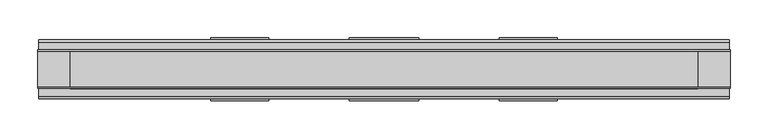
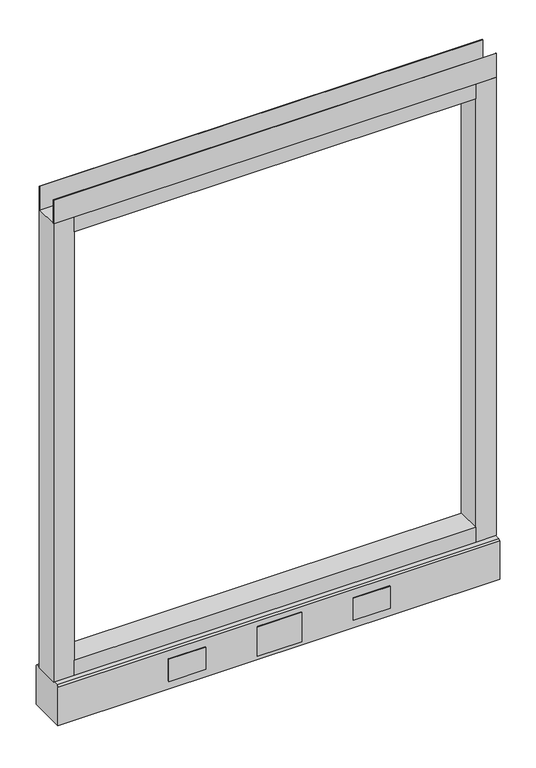
"""IFC4 building model written with IfcOpenShell, lengths in millimetres: furniture geometry."""

from ifc_helpers import new_model, si_unit, point, frame, frame_2d, origin, place, context, project, spatial, polyline, circle_curve, trimmed, segment, composite_curve, outline, extrude, source, transform, mapped, element, save
from ifc_brep_helpers import plane_surface, revolved_surface, advanced_brep


def furniture_6221587f(model_context):
    return source(origin(), model_context, "Body", "SolidModel", [
        advanced_brep(
        [(387.35, 0.0, 6.35), (412.75, 0.0, 6.35), (381.0, 0.0, 0.0), (419.1, 0.0, 0.0)],
        [
            (0, 1, circle_curve(frame((400.05, 0.0, 6.35), z_axis=(0.0, 0.0, 1.0), x_axis=(-1.0, 0.0, 0.0)), 12.7)),
            (1, 0, circle_curve(frame((400.05, 0.0, 6.35), z_axis=(0.0, 0.0, 1.0), x_axis=(1.0, 0.0, 0.0)), 12.7)),
            (2, 3, circle_curve(frame((400.05, 0.0, 0.0), z_axis=(0.0, 0.0, -1.0), x_axis=(1.0, 0.0, 0.0)), 19.05)),
            (3, 2, circle_curve(frame((400.05, 0.0, 0.0), z_axis=(0.0, 0.0, -1.0), x_axis=(-1.0, 0.0, 0.0)), 19.05)),
            (3, 1),
            (0, 2),
        ],
        [
            plane_surface(frame((400.05, 0.0, 6.35), z_axis=(0.0, 0.0, 1.0), x_axis=(0.0, -1.0, 0.0))),
            plane_surface(frame((400.05, 0.0, 0.0), z_axis=(0.0, 0.0, -1.0), x_axis=(0.0, -1.0, 0.0))),
            revolved_surface(polyline([(387.35, 0.0, 6.35), (381.0, 0.0, 0.0)]), (400.05, 0.0, 19.05), (0.0, 0.0, -1.0)),
            revolved_surface(polyline([(412.75, 0.0, 6.35), (419.1, 0.0, 0.0)]), (400.05, 0.0, 19.05), (0.0, 0.0, -1.0)),
        ],
        [
            (0, [[1, 2]]),
            (1, [[3, 4]]),
            (2, [[-4, 5, -1, 6]]),
            (3, [[-3, -6, -2, -5]]),
        ],
    ),
        advanced_brep(
        [(-412.75, 0.0, 6.35), (-387.35, 0.0, 6.35), (-419.1, 0.0, 0.0), (-381.0, 0.0, 0.0)],
        [
            (0, 1, circle_curve(frame((-400.05, 0.0, 6.35), z_axis=(0.0, 0.0, 1.0), x_axis=(-1.0, 0.0, 0.0)), 12.7)),
            (1, 0, circle_curve(frame((-400.05, 0.0, 6.35), z_axis=(0.0, 0.0, 1.0), x_axis=(1.0, 0.0, 0.0)), 12.7)),
            (2, 3, circle_curve(frame((-400.05, 0.0, 0.0), z_axis=(0.0, 0.0, -1.0), x_axis=(1.0, 0.0, 0.0)), 19.05)),
            (3, 2, circle_curve(frame((-400.05, 0.0, 0.0), z_axis=(0.0, 0.0, -1.0), x_axis=(-1.0, 0.0, 0.0)), 19.05)),
            (3, 1),
            (0, 2),
        ],
        [
            plane_surface(frame((-400.05, 0.0, 6.35), z_axis=(0.0, 0.0, 1.0), x_axis=(0.0, -1.0, 0.0))),
            plane_surface(frame((-400.05, 0.0, 0.0), z_axis=(0.0, 0.0, -1.0), x_axis=(0.0, -1.0, 0.0))),
            revolved_surface(polyline([(-412.75, 0.0, 6.35), (-419.1, 0.0, 0.0)]), (-400.05, 0.0, 19.05), (0.0, 0.0, -1.0)),
            revolved_surface(polyline([(-387.35, 0.0, 6.35), (-381.0, 0.0, 0.0)]), (-400.05, 0.0, 19.05), (0.0, 0.0, -1.0)),
        ],
        [
            (0, [[1, 2]]),
            (1, [[3, 4]]),
            (2, [[-4, 5, -1, 6]]),
            (3, [[-3, -6, -2, -5]]),
        ],
    ),
        extrude(outline(polyline([(457.2, -23.8125), (457.2, -25.4), (-457.2, -25.4), (-457.2, -23.8125), (457.2, -23.8125)])), frame((0.0, 0.0, 1102.233), z_axis=(0.0, 0.0, 1.0), x_axis=(1.0, 0.0, 0.0)), (0.0, 0.0, 1.0), 51.435),
        extrude(outline(polyline([(457.2, 25.4), (457.2, 23.8125), (-457.2, 23.8125), (-457.2, 25.4), (457.2, 25.4)])), frame((0.0, 0.0, 1102.233), z_axis=(0.0, 0.0, 1.0), x_axis=(1.0, 0.0, 0.0)), (0.0, 0.0, 1.0), 51.435),
        extrude(outline(polyline([(414.3375, -25.4), (-414.3375, -25.4), (-414.3375, 25.4), (414.3375, 25.4), (414.3375, -25.4)])), frame((0.0, 0.0, 1069.34), z_axis=(0.0, 0.0, 1.0), x_axis=(1.0, 0.0, 0.0)), (0.0, 0.0, 1.0), 32.893),
        extrude(outline(polyline([(414.3375, -25.4), (-414.3375, -25.4), (-414.3375, 25.4), (414.3375, 25.4), (414.3375, -25.4)])), frame((0.0, 0.0, 101.6), z_axis=(0.0, 0.0, 1.0), x_axis=(1.0, 0.0, 0.0)), (0.0, 0.0, 1.0), 32.893),
        extrude(outline(composite_curve([segment(trimmed(circle_curve(frame_2d((-400.05, 0.0)), 5.55625), [point((-405.60625, 0.0))], [point((-394.49375, 0.0))], False, "CARTESIAN"), True, "CONTINUOUS"), segment(trimmed(circle_curve(frame_2d((-400.05, 0.0)), 5.55625), [point((-394.49375, 0.0))], [point((-405.60625, 0.0))], False, "CARTESIAN"), True, "CONTINUOUS")], self_intersect=False)), frame((0.0, 0.0, 6.35), z_axis=(0.0, 0.0, 1.0), x_axis=(1.0, 0.0, 0.0)), (0.0, 0.0, 1.0), 7.9375),
        extrude(outline(composite_curve([segment(trimmed(circle_curve(frame_2d((400.05, 0.0)), 5.55625), [point((394.49375, 0.0))], [point((405.60625, 0.0))], False, "CARTESIAN"), True, "CONTINUOUS"), segment(trimmed(circle_curve(frame_2d((400.05, 0.0)), 5.55625), [point((405.60625, 0.0))], [point((394.49375, 0.0))], False, "CARTESIAN"), True, "CONTINUOUS")], self_intersect=False)), frame((0.0, 0.0, 6.35), z_axis=(0.0, 0.0, 1.0), x_axis=(1.0, 0.0, 0.0)), (0.0, 0.0, 1.0), 7.9375),
        extrude(outline(polyline([(-414.3375, -25.4), (-457.2, -25.4), (-457.2, 25.4), (-414.3375, 25.4), (-414.3375, -25.4)])), frame((0.0, 0.0, 101.6), z_axis=(0.0, 0.0, 1.0), x_axis=(1.0, 0.0, 0.0)), (0.0, 0.0, 1.0), 1000.633),
        extrude(outline(polyline([(457.2, -25.4), (414.3375, -25.4), (414.3375, 25.4), (457.2, 25.4), (457.2, -25.4)])), frame((0.0, 0.0, 101.6), z_axis=(0.0, 0.0, 1.0), x_axis=(1.0, 0.0, 0.0)), (0.0, 0.0, 1.0), 1000.633),
        extrude(outline(polyline([(-35.9171875, 101.6), (35.9171875, 101.6), (39.0921875, 98.425), (39.0921875, 14.2875), (-39.0921875, 14.2875), (-39.0921875, 98.425), (-35.9171875, 101.6)])), frame((-456.057, 0.0, 0.0), z_axis=(1.0, 0.0, 0.0), x_axis=(0.0, 1.0, 0.0)), (0.0, 0.0, 1.0), 912.1140102),
        extrude(outline(polyline([(228.6, 39.0921875), (152.4, 39.0921875), (152.4, 41.4020035), (228.6, 41.4020035), (228.6, 39.0921875)])), frame((0.0, 0.0, 32.512), z_axis=(0.0, 0.0, 1.0), x_axis=(1.0, 0.0, 0.0)), (0.0, 0.0, 1.0), 48.26),
        extrude(outline(polyline([(45.7708, 39.0921875), (-45.7708, 39.0921875), (-45.7708, 41.4020035), (45.7708, 41.4020035), (45.7708, 39.0921875)])), frame((0.0, 0.0, 23.8125), z_axis=(0.0, 0.0, 1.0), x_axis=(1.0, 0.0, 0.0)), (0.0, 0.0, 1.0), 63.5),
        extrude(outline(polyline([(-152.4, 39.0921875), (-228.6, 39.0921875), (-228.6, 41.4020035), (-152.4, 41.4020035), (-152.4, 39.0921875)])), frame((0.0, 0.0, 32.512), z_axis=(0.0, 0.0, 1.0), x_axis=(1.0, 0.0, 0.0)), (0.0, 0.0, 1.0), 48.26),
        extrude(outline(polyline([(228.6, -41.4019923), (152.4, -41.4019923), (152.4, -39.0921875), (228.6, -39.0921875), (228.6, -41.4019923)])), frame((0.0, 0.0, 32.512), z_axis=(0.0, 0.0, 1.0), x_axis=(1.0, 0.0, 0.0)), (0.0, 0.0, 1.0), 48.26),
        extrude(outline(polyline([(-152.4, -41.4019923), (-228.6, -41.4019923), (-228.6, -39.0921875), (-152.4, -39.0921875), (-152.4, -41.4019923)])), frame((0.0, 0.0, 32.512), z_axis=(0.0, 0.0, 1.0), x_axis=(1.0, 0.0, 0.0)), (0.0, 0.0, 1.0), 48.26),
        extrude(outline(polyline([(45.7708, -41.4019923), (-45.7708, -41.4019923), (-45.7708, -39.0921875), (45.7708, -39.0921875), (45.7708, -41.4019923)])), frame((0.0, 0.0, 23.8125), z_axis=(0.0, 0.0, 1.0), x_axis=(1.0, 0.0, 0.0)), (0.0, 0.0, 1.0), 63.5),
    ])


if __name__ == "__main__":
    model = new_model("IFC4")
    model_context = context("Model", 3, world=origin())
    ifc_project = project(units=[si_unit("LENGTHUNIT", "METRE", prefix="MILLI")], contexts=[model_context])
    site = spatial("IfcSite", under=ifc_project)
    building = spatial("IfcBuilding", under=site)
    placement = place(None, origin())
    furniture_shape = furniture_6221587f(model_context)
    element("IfcFurniture", 1, at=placement, inside=building, context=model_context, shape_type="MappedRepresentation", body=[
        mapped(furniture_shape, transform((0.0, 0.0, 0.0), x_axis=(1.0, 0.0, 0.0), y_axis=(0.0, 1.0, 0.0), z_axis=(0.0, 0.0, 1.0))),
    ])
    save(model, "model.ifc")
